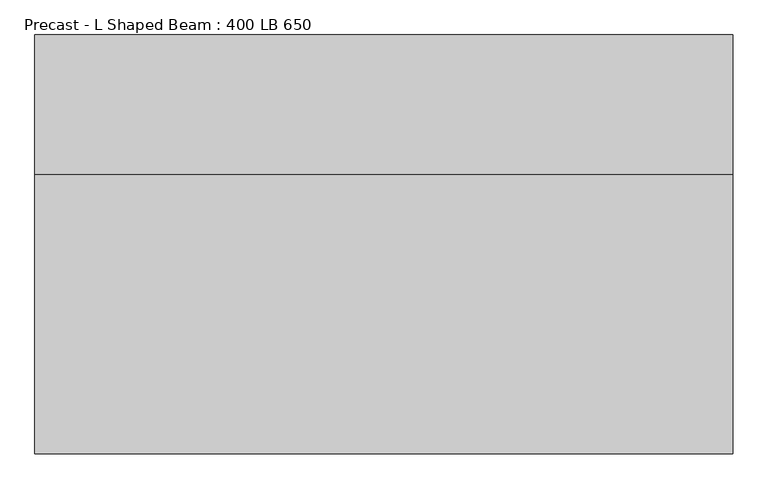
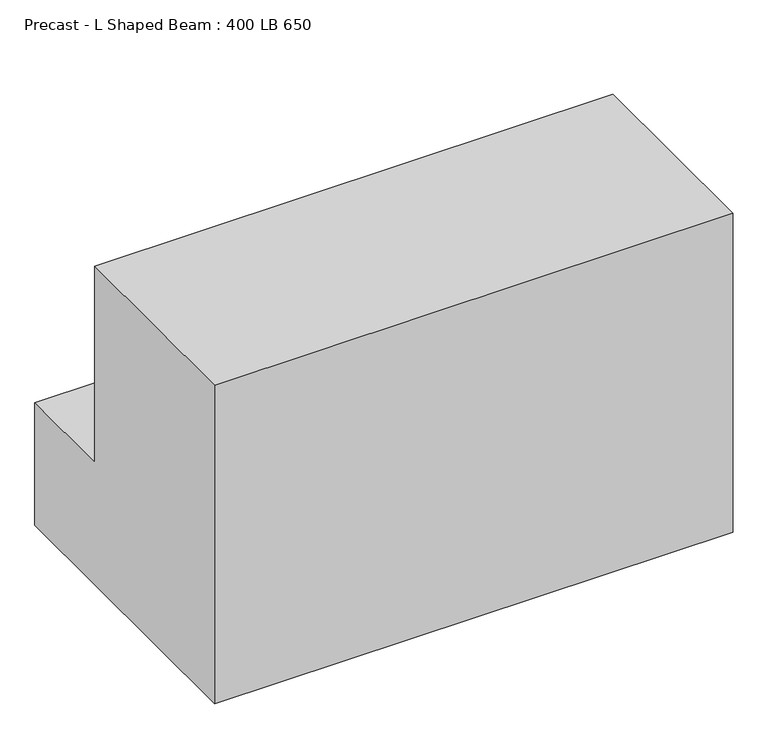
"""IFC4 building model written with IfcOpenShell, lengths in millimetres: beam geometry, Precast - L Shaped Beam : 400 LB 650."""

from ifc_helpers import new_model, si_unit, frame, origin, place, context, project, spatial, polyline, outline, extrude, source, transform, mapped, element, save


def precast_l_shaped_beam_400_lb_650_25e28abb(model_context):
    return source(origin(), model_context, "Body", "SweptSolid", [
        extrude(outline(polyline([(-300.0, -325.0), (-300.0, 325.0), (100.0, 325.0), (100.0, -75.0), (300.0, -75.0), (300.0, -325.0), (-300.0, -325.0)])), frame((-400.0, 0.0, 0.0), z_axis=(1.0, 0.0, 0.0), x_axis=(0.0, 1.0, 0.0)), (0.0, 0.0, 1.0), 1000.0),
    ])


if __name__ == "__main__":
    model = new_model("IFC4")
    model_context = context("Model", 3, world=origin())
    ifc_project = project(units=[si_unit("LENGTHUNIT", "METRE", prefix="MILLI")], contexts=[model_context])
    site = spatial("IfcSite", under=ifc_project)
    building = spatial("IfcBuilding", under=site)
    placement = place(None, origin())
    precast_l_shaped_beam_400_lb_650_shape = precast_l_shaped_beam_400_lb_650_25e28abb(model_context)
    element("IfcBeam", 1, ObjectType="Precast - L Shaped Beam : 400 LB 650", at=placement, inside=building, context=model_context, shape_type="MappedRepresentation", body=[
        mapped(precast_l_shaped_beam_400_lb_650_shape, transform((0.0, 0.0, 0.0), x_axis=(1.0, 0.0, 0.0), y_axis=(0.0, 1.0, 0.0), z_axis=(0.0, 0.0, 1.0))),
    ])
    save(model, "model.ifc")
